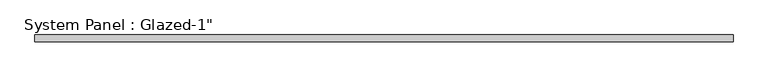
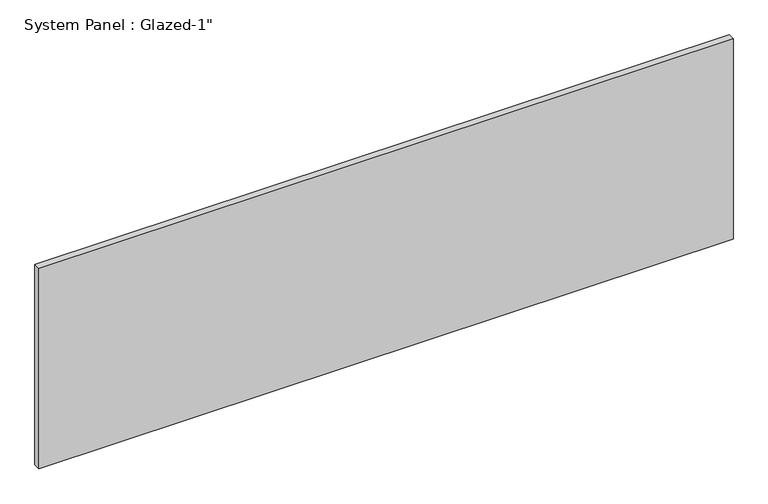
"""IFC4 building model written with IfcOpenShell, lengths in millimetres: plate geometry."""

from ifc_helpers import new_model, si_unit, origin, origin_with_axes, place, context, project, spatial, polyline, outline, extrude, source, transform, mapped, element, save


def plate_6415a24d(model_context):
    return source(origin(), model_context, "Body", "SweptSolid", [
        extrude(outline(polyline([(1289.05, 25.4), (-1289.05, 25.4), (-1289.05, 50.8), (1289.05, 50.8), (1289.05, 25.4)])), origin_with_axes(), (0.0, 0.0, 1.0), 787.4),
    ])


if __name__ == "__main__":
    model = new_model("IFC4")
    model_context = context("Model", 3, world=origin())
    ifc_project = project(units=[si_unit("LENGTHUNIT", "METRE", prefix="MILLI")], contexts=[model_context])
    site = spatial("IfcSite", under=ifc_project)
    building = spatial("IfcBuilding", under=site)
    placement = place(None, origin())
    plate_shape = plate_6415a24d(model_context)
    element("IfcPlate", 1, ObjectType="System Panel : Glazed-1\"", at=placement, inside=building, context=model_context, shape_type="MappedRepresentation", body=[
        mapped(plate_shape, transform((0.0, 0.0, 0.0), x_axis=(1.0, 0.0, 0.0), y_axis=(0.0, 1.0, 0.0), z_axis=(0.0, 0.0, 1.0))),
    ])
    save(model, "model.ifc")
